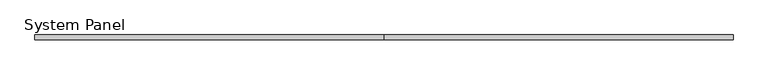
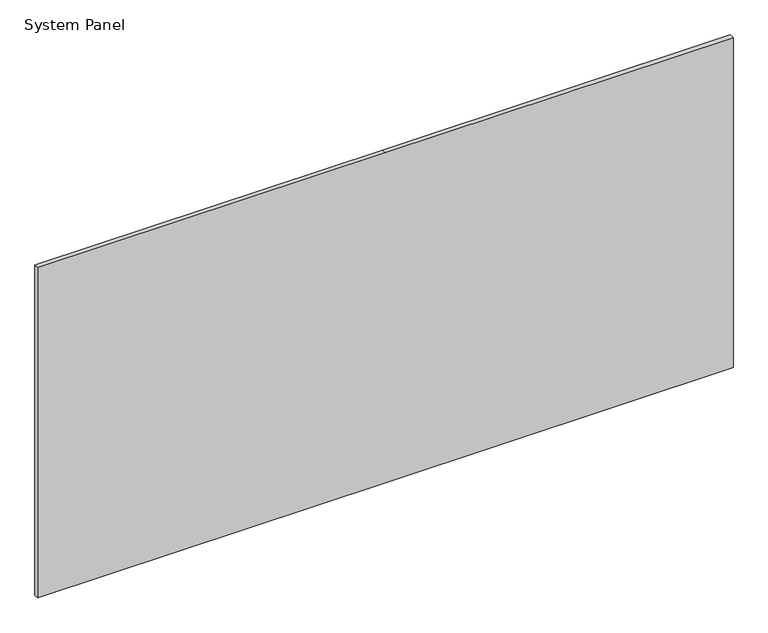
"""IFC4 building model written with IfcOpenShell, lengths in millimetres: plate geometry, System Panel."""

from ifc_helpers import new_model, si_unit, frame, origin, place, context, project, spatial, polyline, outline, extrude, source, transform, mapped, element, save


def system_panel_336201b9(model_context):
    return source(origin(), model_context, "Body", "SweptSolid", [
        extrude(outline(polyline([(0.0, -1195.0), (0.0, 0.0), (0.0, 1195.0), (1200.0, 1195.0), (1200.0, 0.0), (1200.0, -1195.0), (0.0, -1195.0)])), frame((0.0, -8.0, 0.0), z_axis=(0.0, 1.0, 0.0), x_axis=(0.0, 0.0, 1.0)), (0.0, 0.0, 1.0), 16.0),
    ])


if __name__ == "__main__":
    model = new_model("IFC4")
    model_context = context("Model", 3, world=origin())
    ifc_project = project(units=[si_unit("LENGTHUNIT", "METRE", prefix="MILLI")], contexts=[model_context])
    site = spatial("IfcSite", under=ifc_project)
    building = spatial("IfcBuilding", under=site)
    placement = place(None, origin())
    system_panel_shape = system_panel_336201b9(model_context)
    element("IfcPlate", 1, ObjectType="System Panel", at=placement, inside=building, context=model_context, shape_type="MappedRepresentation", body=[
        mapped(system_panel_shape, transform((0.0, 0.0, 0.0), x_axis=(1.0, 0.0, 0.0), y_axis=(0.0, 1.0, 0.0), z_axis=(0.0, 0.0, 1.0))),
    ])
    save(model, "model.ifc")
